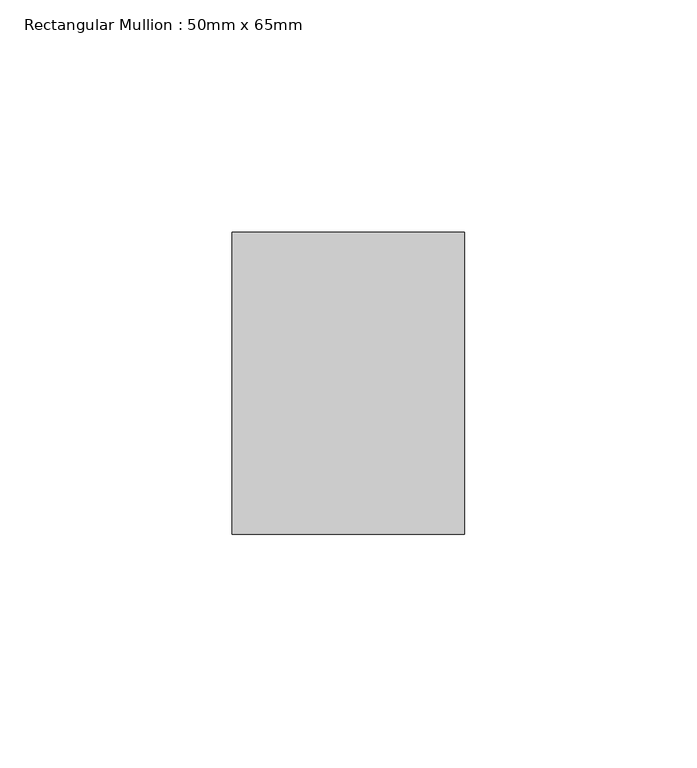
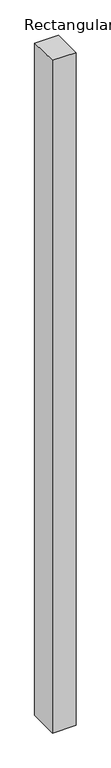
"""IFC4 building model written with IfcOpenShell, lengths in millimetres: member geometry, Rectangular Mullion : 50mm x 65mm."""

from ifc_helpers import new_model, si_unit, origin, place, context, project, spatial, faceted_brep, source, transform, mapped, element, save


def rectangular_mullion_50mm_x_65mm_c4384126(model_context):
    return source(origin(), model_context, "Body", "Brep", [
        faceted_brep([(-25.0, 32.5, -0.3536715), (25.0, 32.5, -0.3536701), (25.0, 32.5, -1499.5479133), (-25.0, 32.5, -1499.5479117), (-25.0, -32.5, 0.3536701), (-25.0, -32.5, -1500.451542), (25.0, -32.5, 0.3536715), (25.0, -32.5, -1500.4515436)], [[[0, 1, 2, 3]], [[4, 0, 3, 5]], [[6, 4, 5, 7]], [[1, 6, 7, 2]], [[1, 0, 4, 6]], [[2, 7, 5, 3]]]),
    ])


if __name__ == "__main__":
    model = new_model("IFC4")
    model_context = context("Model", 3, world=origin())
    ifc_project = project(units=[si_unit("LENGTHUNIT", "METRE", prefix="MILLI")], contexts=[model_context])
    site = spatial("IfcSite", under=ifc_project)
    building = spatial("IfcBuilding", under=site)
    placement = place(None, origin())
    rectangular_mullion_50mm_x_65mm_shape = rectangular_mullion_50mm_x_65mm_c4384126(model_context)
    element("IfcMember", 1, ObjectType="Rectangular Mullion : 50mm x 65mm", at=placement, inside=building, context=model_context, shape_type="MappedRepresentation", body=[
        mapped(rectangular_mullion_50mm_x_65mm_shape, transform((0.0, 0.0, 0.0), x_axis=(1.0, 0.0, 0.0), y_axis=(0.0, 1.0, 0.0), z_axis=(0.0, 0.0, 1.0))),
    ])
    save(model, "model.ifc")
